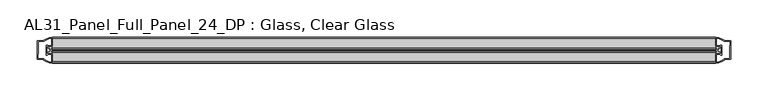
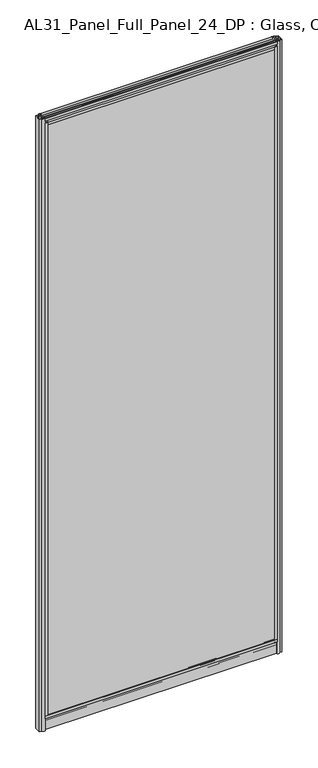
"""IFC4 building model written with IfcOpenShell, lengths in millimetres: plate geometry, AL31_Panel_Full_Panel_24_DP : Glass, Clear Glass."""

from ifc_helpers import new_model, si_unit, point, frame, frame_2d, origin, origin_with_axes, place, context, project, spatial, polyline, circle_curve, trimmed, segment, composite_curve, outline, extrude, source, transform, mapped, element, save


def al31_panel_full_panel_24_dp_glass_clear_glass_acebea19(model_context):
    return source(origin(), model_context, "Body", "SweptSolid", [
        extrude(outline(composite_curve([segment(polyline([(-20.7348244, 46.2206013), (-21.2892398, 45.1563534)]), True, "CONTINUOUS"), segment(trimmed(circle_curve(frame_2d((-19.857, 47.9056604)), 3.1), [point((-21.2892398, 45.1563534))], [point((-22.907, 47.3511336))], False, "CARTESIAN"), True, "CONTINUOUS"), segment(polyline([(-22.907, 47.3511336), (-22.907, 41.9), (-24.857, 41.9), (-24.857, 49.4), (-36.857, 49.4), (-36.857, 59.2), (-34.657, 59.2), (-34.657, 51.3), (-5.057, 51.3), (-5.057, 59.2), (-2.857, 59.2), (-2.857, 49.4), (-14.857, 49.4), (-14.857, 41.9), (-16.807, 41.9), (-16.807, 47.3511336)]), True, "CONTINUOUS"), segment(trimmed(circle_curve(frame_2d((-19.857, 47.9056604)), 3.1), [point((-16.807, 47.3511336))], [point((-18.4247602, 45.1563534))], False, "CARTESIAN"), True, "CONTINUOUS"), segment(polyline([(-18.4247602, 45.1563534), (-18.9791756, 46.2206013)]), True, "CONTINUOUS"), segment(trimmed(circle_curve(frame_2d((-19.857, 47.9056604)), 1.9), [point((-18.9791756, 46.2206013))], [point((-19.857, 49.8056604))], True, "CARTESIAN"), True, "CONTINUOUS"), segment(trimmed(circle_curve(frame_2d((-19.857, 47.9056604)), 1.9), [point((-19.857, 49.8056604))], [point((-20.7348244, 46.2206013))], True, "CARTESIAN"), True, "CONTINUOUS")], self_intersect=False)), frame((-442.5, 0.0, 0.0), z_axis=(1.0, 0.0, 0.0), x_axis=(0.0, 1.0, 0.0)), (0.0, 0.0, 1.0), 885.0),
        extrude(outline(composite_curve([segment(trimmed(circle_curve(frame_2d((-443.9943396, -19.857)), 1.9), [point((-445.6793987, -20.7348244))], [point((-442.0943396, -19.857))], True, "CARTESIAN"), True, "CONTINUOUS"), segment(trimmed(circle_curve(frame_2d((-443.9943396, -19.857)), 1.9), [point((-442.0943396, -19.857))], [point((-445.6793987, -18.9791756))], True, "CARTESIAN"), True, "CONTINUOUS"), segment(polyline([(-445.6793987, -18.9791756), (-446.7436466, -18.4247602)]), True, "CONTINUOUS"), segment(trimmed(circle_curve(frame_2d((-443.9943396, -19.857)), 3.1), [point((-446.7436466, -18.4247602))], [point((-444.5488664, -16.807))], False, "CARTESIAN"), True, "CONTINUOUS"), segment(polyline([(-444.5488664, -16.807), (-450.0, -16.807), (-450.0, -14.857), (-442.5, -14.857), (-442.5, -2.857), (-432.7, -2.857), (-432.7, -5.057), (-440.6, -5.057), (-440.6, -34.657), (-432.7, -34.657), (-432.7, -36.857), (-442.5, -36.857), (-442.5, -24.857), (-450.0, -24.857), (-450.0, -22.907), (-444.5488664, -22.907)]), True, "CONTINUOUS"), segment(trimmed(circle_curve(frame_2d((-443.9943396, -19.857)), 3.1), [point((-444.5488664, -22.907))], [point((-446.7436466, -21.2892398))], False, "CARTESIAN"), True, "CONTINUOUS"), segment(polyline([(-446.7436466, -21.2892398), (-445.6793987, -20.7348244)]), True, "CONTINUOUS")], self_intersect=False)), frame((0.0, 0.0, 49.4), z_axis=(0.0, 0.0, 1.0), x_axis=(1.0, 0.0, 0.0)), (0.0, 0.0, 1.0), 2402.1572926),
        extrude(outline(composite_curve([segment(trimmed(circle_curve(frame_2d((443.9943396, -19.857)), 1.9), [point((445.6793987, -18.9791756))], [point((442.0943396, -19.857))], True, "CARTESIAN"), True, "CONTINUOUS"), segment(trimmed(circle_curve(frame_2d((443.9943396, -19.857)), 1.9), [point((442.0943396, -19.857))], [point((445.6793987, -20.7348244))], True, "CARTESIAN"), True, "CONTINUOUS"), segment(polyline([(445.6793987, -20.7348244), (446.7436466, -21.2892398)]), True, "CONTINUOUS"), segment(trimmed(circle_curve(frame_2d((443.9943396, -19.857)), 3.1), [point((446.7436466, -21.2892398))], [point((444.5488664, -22.907))], False, "CARTESIAN"), True, "CONTINUOUS"), segment(polyline([(444.5488664, -22.907), (450.0, -22.907), (450.0, -24.857), (442.5, -24.857), (442.5, -36.857), (432.7, -36.857), (432.7, -34.657), (440.6, -34.657), (440.6, -5.057), (432.7, -5.057), (432.7, -2.857), (442.5, -2.857), (442.5, -14.857), (450.0, -14.857), (450.0, -16.807), (444.5488664, -16.807)]), True, "CONTINUOUS"), segment(trimmed(circle_curve(frame_2d((443.9943396, -19.857)), 3.1), [point((444.5488664, -16.807))], [point((446.7436466, -18.4247602))], False, "CARTESIAN"), True, "CONTINUOUS"), segment(polyline([(446.7436466, -18.4247602), (445.6793987, -18.9791756)]), True, "CONTINUOUS")], self_intersect=False)), frame((0.0, 0.0, 49.4), z_axis=(0.0, 0.0, 1.0), x_axis=(1.0, 0.0, 0.0)), (0.0, 0.0, 1.0), 2402.1572926),
        extrude(outline(composite_curve([segment(polyline([(-18.9791756, 2454.7366913), (-18.4247602, 2455.8009392)]), True, "CONTINUOUS"), segment(trimmed(circle_curve(frame_2d((-19.857, 2453.0516322)), 3.1), [point((-18.4247602, 2455.8009392))], [point((-16.807, 2453.606159))], False, "CARTESIAN"), True, "CONTINUOUS"), segment(polyline([(-16.807, 2453.606159), (-16.807, 2459.0572926), (-14.857, 2459.0572926), (-14.857, 2451.5572926), (-2.857, 2451.5572926), (-2.857, 2441.7572926), (-5.057, 2441.7572926), (-5.057, 2449.6572926), (-34.657, 2449.6572926), (-34.657, 2441.7572926), (-36.857, 2441.7572926), (-36.857, 2451.5572926), (-24.857, 2451.5572926), (-24.857, 2459.0572926), (-22.907, 2459.0572926), (-22.907, 2453.606159)]), True, "CONTINUOUS"), segment(trimmed(circle_curve(frame_2d((-19.857, 2453.0516322)), 3.1), [point((-22.907, 2453.606159))], [point((-21.2892398, 2455.8009392))], False, "CARTESIAN"), True, "CONTINUOUS"), segment(polyline([(-21.2892398, 2455.8009392), (-20.7348244, 2454.7366913)]), True, "CONTINUOUS"), segment(trimmed(circle_curve(frame_2d((-19.857, 2453.0516322)), 1.9), [point((-20.7348244, 2454.7366913))], [point((-19.857, 2451.1516322))], True, "CARTESIAN"), True, "CONTINUOUS"), segment(trimmed(circle_curve(frame_2d((-19.857, 2453.0516322)), 1.9), [point((-19.857, 2451.1516322))], [point((-18.9791756, 2454.7366913))], True, "CARTESIAN"), True, "CONTINUOUS")], self_intersect=False)), frame((-442.5, 0.0, 0.0), z_axis=(1.0, 0.0, 0.0), x_axis=(0.0, 1.0, 0.0)), (0.0, 0.0, 1.0), 885.0),
        extrude(outline(composite_curve([segment(trimmed(circle_curve(frame_2d((-19.957, 2461.8572926)), 3.0), [point((-18.457, 2464.4553688))], [point((-17.4851586, 2460.1572926))], False, "CARTESIAN"), True, "CONTINUOUS"), segment(polyline([(-17.4851586, 2460.1572926), (-4.157, 2460.1572926), (-4.157, 2469.5572926), (-2.857, 2469.5572926), (-2.857, 2459.0572926), (-13.1545312, 2459.0572926), (-13.1545312, 2458.2572926), (-13.6601218, 2456.3357964), (-13.6601218, 2451.6572926), (-14.857, 2451.6572926), (-14.857, 2456.9912672), (-14.357, 2457.8572926), (-14.357, 2459.0572926), (-25.357, 2459.0572926), (-25.357, 2457.8572926), (-24.857, 2456.9912672), (-24.857, 2451.6572926), (-26.0538782, 2451.6572926), (-26.0538782, 2456.3357964), (-26.5594688, 2458.2572926), (-26.5594688, 2459.0572926), (-36.857, 2459.0572926), (-36.857, 2469.5572926), (-35.557, 2469.5572926), (-35.557, 2460.1572926), (-22.4288414, 2460.1572926)]), True, "CONTINUOUS"), segment(trimmed(circle_curve(frame_2d((-19.957, 2461.8572926)), 3.0), [point((-22.4288414, 2460.1572926))], [point((-21.457, 2464.4553688))], False, "CARTESIAN"), True, "CONTINUOUS"), segment(polyline([(-21.457, 2464.4553688), (-20.907, 2463.5027409)]), True, "CONTINUOUS"), segment(trimmed(circle_curve(frame_2d((-19.957, 2461.8572926)), 1.9), [point((-20.907, 2463.5027409))], [point((-19.007, 2463.5027409))], True, "CARTESIAN"), True, "CONTINUOUS"), segment(polyline([(-19.007, 2463.5027409), (-18.457, 2464.4553688)]), True, "CONTINUOUS")], self_intersect=False)), frame((-442.5, 0.0, 0.0), z_axis=(1.0, 0.0, 0.0), x_axis=(0.0, 1.0, 0.0)), (0.0, 0.0, 1.0), 885.0),
        extrude(outline(composite_curve([segment(polyline([(-11.457, 35.8), (-28.257, 35.8)]), True, "CONTINUOUS"), segment(trimmed(circle_curve(frame_2d((-28.257, 34.8)), 1.0), [point((-28.257, 35.8))], [point((-29.257, 34.8))], True, "CARTESIAN"), True, "CONTINUOUS"), segment(polyline([(-29.257, 34.8), (-29.257, 33.5), (-24.8569697, 33.5), (-24.8569697, 32.3), (-29.257, 32.3), (-29.257, 0.0), (-30.457, 0.0), (-30.457, 47.3)]), True, "CONTINUOUS"), segment(trimmed(circle_curve(frame_2d((-28.457, 47.3)), 2.0), [point((-30.457, 47.3))], [point((-28.457, 49.3))], False, "CARTESIAN"), True, "CONTINUOUS"), segment(polyline([(-28.457, 49.3), (-24.857, 49.3), (-24.857, 41.9), (-14.857, 41.9), (-14.857, 49.3), (-11.257, 49.3)]), True, "CONTINUOUS"), segment(trimmed(circle_curve(frame_2d((-11.257, 47.3)), 2.0), [point((-11.257, 49.3))], [point((-9.257, 47.3))], False, "CARTESIAN"), True, "CONTINUOUS"), segment(polyline([(-9.257, 47.3), (-9.257, 0.0), (-10.457, 0.0), (-10.457, 32.3), (-14.8569697, 32.3), (-14.8569697, 33.5), (-10.457, 33.5), (-10.457, 34.8)]), True, "CONTINUOUS"), segment(trimmed(circle_curve(frame_2d((-11.457, 34.8)), 1.0), [point((-10.457, 34.8))], [point((-11.457, 35.8))], True, "CARTESIAN"), True, "CONTINUOUS")], self_intersect=False), holes=[composite_curve([segment(polyline([(-26.3594688, 41.8), (-26.3594688, 42.9)]), True, "CONTINUOUS"), segment(trimmed(circle_curve(frame_2d((-25.1594688, 42.9)), 1.2), [point((-26.3594688, 42.9))], [point((-25.9768184, 43.7786009))], False, "CARTESIAN"), True, "CONTINUOUS"), segment(polyline([(-25.9768184, 43.7786009), (-25.9768184, 48.2), (-28.257, 48.2)]), True, "CONTINUOUS"), segment(trimmed(circle_curve(frame_2d((-28.257, 47.2)), 1.0), [point((-28.257, 48.2))], [point((-29.257, 47.2))], True, "CARTESIAN"), True, "CONTINUOUS"), segment(polyline([(-29.257, 47.2), (-29.257, 37.04), (-22.6578965, 37.04), (-22.6578965, 38.0725806), (-21.6940508, 38.0725806)]), True, "CONTINUOUS"), segment(trimmed(circle_curve(frame_2d((-19.857, 39.1)), 2.1048387), [point((-21.6940508, 38.0725806))], [point((-18.0199492, 38.0725806))], True, "CARTESIAN"), True, "CONTINUOUS"), segment(polyline([(-18.0199492, 38.0725806), (-17.0561035, 38.0725806), (-17.0561035, 37.04), (-10.457, 37.04), (-10.457, 47.2)]), True, "CONTINUOUS"), segment(trimmed(circle_curve(frame_2d((-11.457, 47.2)), 1.0), [point((-10.457, 47.2))], [point((-11.457, 48.2))], True, "CARTESIAN"), True, "CONTINUOUS"), segment(polyline([(-11.457, 48.2), (-13.7371816, 48.2), (-13.7371816, 43.5786009)]), True, "CONTINUOUS"), segment(trimmed(circle_curve(frame_2d((-14.5545312, 42.7)), 1.2), [point((-13.7371816, 43.5786009))], [point((-13.3545312, 42.7))], False, "CARTESIAN"), True, "CONTINUOUS"), segment(polyline([(-13.3545312, 42.7), (-13.3545312, 41.8)]), True, "CONTINUOUS"), segment(trimmed(circle_curve(frame_2d((-14.3545312, 41.8)), 1.0), [point((-13.3545312, 41.8))], [point((-14.3545312, 40.8))], False, "CARTESIAN"), True, "CONTINUOUS"), segment(polyline([(-14.3545312, 40.8), (-17.0561035, 40.8), (-17.0561035, 39.7274194), (-18.0199492, 39.7274194)]), True, "CONTINUOUS"), segment(trimmed(circle_curve(frame_2d((-19.857, 38.7)), 2.1048387), [point((-18.0199492, 39.7274194))], [point((-21.6940508, 39.7274194))], True, "CARTESIAN"), True, "CONTINUOUS"), segment(polyline([(-21.6940508, 39.7274194), (-22.6578965, 39.7274194), (-22.6578965, 40.8), (-25.3594688, 40.8)]), True, "CONTINUOUS"), segment(trimmed(circle_curve(frame_2d((-25.3594688, 41.8)), 1.0), [point((-25.3594688, 40.8))], [point((-26.3594688, 41.8))], False, "CARTESIAN"), True, "CONTINUOUS")], self_intersect=False)]), frame((-442.5, 0.0, 0.0), z_axis=(1.0, 0.0, 0.0), x_axis=(0.0, 1.0, 0.0)), (0.0, 0.0, 1.0), 885.0),
        extrude(outline(composite_curve([segment(polyline([(-450.3414214, -25.757), (-449.1414214, -25.757), (-449.1414214, -24.857), (-442.5, -24.857), (-442.5, -36.8571453)]), True, "CONTINUOUS"), segment(trimmed(circle_curve(frame_2d((-442.1353484, -16.8604698)), 20.0), [point((-442.5, -36.8571453))], [point((-453.8558352, -33.0663388))], False, "CARTESIAN"), True, "CONTINUOUS"), segment(polyline([(-453.8558352, -33.0663388), (-453.8558352, -32.1849343), (-462.5, -32.1849343), (-462.5, -7.4849343), (-453.8558352, -7.4849343), (-453.8558352, -6.6474751)]), True, "CONTINUOUS"), segment(trimmed(circle_curve(frame_2d((-442.1353484, -22.8533441)), 20.0), [point((-453.8558352, -6.6474751))], [point((-442.5, -2.8566686))], False, "CARTESIAN"), True, "CONTINUOUS"), segment(polyline([(-442.5, -2.8566686), (-442.5, -14.857), (-449.1414214, -14.857), (-449.1414214, -13.957), (-450.3414214, -13.957), (-450.3414214, -25.757)]), True, "CONTINUOUS")], self_intersect=False), holes=[composite_curve([segment(trimmed(circle_curve(frame_2d((-449.3414214, -14.157)), 1.5), [point((-449.3414214, -12.657))], [point((-447.9861671, -13.5141269))], False, "CARTESIAN"), True, "CONTINUOUS"), segment(polyline([(-447.9861671, -13.5141269), (-444.2414214, -13.5141269), (-444.2414214, -8.917777), (-443.8020815, -7.8571168), (-443.8020815, -4.2070183)]), True, "CONTINUOUS"), segment(trimmed(circle_curve(frame_2d((-442.1353484, -22.8325921)), 18.7), [point((-443.8020815, -4.2070183))], [point((-452.1421262, -7.0353013))], True, "CARTESIAN"), True, "CONTINUOUS"), segment(trimmed(circle_curve(frame_2d((-453.9414214, -6.9849343)), 1.8), [point((-452.1421262, -7.0353013))], [point((-453.9414214, -8.7849343))], False, "CARTESIAN"), True, "CONTINUOUS"), segment(polyline([(-453.9414214, -8.7849343), (-461.0828427, -8.7849343), (-461.0828427, -13.3550394), (-460.6414214, -14.417777), (-460.6414214, -25.2520916), (-461.1414214, -26.2449987), (-461.1414214, -30.8849343), (-453.9414214, -30.8849343)]), True, "CONTINUOUS"), segment(trimmed(circle_curve(frame_2d((-453.9414214, -32.6849343)), 1.8), [point((-453.9414214, -30.8849343))], [point((-452.1421262, -32.6345673))], False, "CARTESIAN"), True, "CONTINUOUS"), segment(trimmed(circle_curve(frame_2d((-442.1353484, -16.8372765)), 18.7), [point((-452.1421262, -32.6345673))], [point((-443.8020815, -35.4628503))], True, "CARTESIAN"), True, "CONTINUOUS"), segment(polyline([(-443.8020815, -35.4628503), (-443.8020815, -31.8127518), (-444.2414214, -30.7520916), (-444.2414214, -26.1561308), (-447.9662696, -26.1561308)]), True, "CONTINUOUS"), segment(trimmed(circle_curve(frame_2d((-449.3414214, -25.557)), 1.5), [point((-447.9662696, -26.1561308))], [point((-449.3414214, -27.057))], False, "CARTESIAN"), True, "CONTINUOUS"), segment(polyline([(-449.3414214, -27.057), (-451.6414214, -27.057), (-451.6414214, -12.657), (-449.3414214, -12.657)]), True, "CONTINUOUS")], self_intersect=False)]), origin_with_axes(), (0.0, 0.0, 1.0), 2469.5572926),
        extrude(outline(composite_curve([segment(polyline([(450.3414214, -13.957), (449.1414214, -13.957), (449.1414214, -14.857), (442.5, -14.857), (442.5, -2.8568547)]), True, "CONTINUOUS"), segment(trimmed(circle_curve(frame_2d((442.1353484, -22.8535302)), 20.0), [point((442.5, -2.8568547))], [point((453.8558352, -6.6476612))], False, "CARTESIAN"), True, "CONTINUOUS"), segment(polyline([(453.8558352, -6.6476612), (453.8558352, -7.5290657), (462.5, -7.5290657), (462.5, -32.2290657), (453.8558352, -32.2290657), (453.8558352, -33.0665249)]), True, "CONTINUOUS"), segment(trimmed(circle_curve(frame_2d((442.1353484, -16.8606559)), 20.0), [point((453.8558352, -33.0665249))], [point((442.5, -36.8573314))], False, "CARTESIAN"), True, "CONTINUOUS"), segment(polyline([(442.5, -36.8573314), (442.5, -24.857), (449.1414214, -24.857), (449.1414214, -25.757), (450.3414214, -25.757), (450.3414214, -13.957)]), True, "CONTINUOUS")], self_intersect=False), holes=[composite_curve([segment(trimmed(circle_curve(frame_2d((449.3414214, -25.557)), 1.5), [point((449.3414214, -27.057))], [point((447.9861671, -26.1998731))], False, "CARTESIAN"), True, "CONTINUOUS"), segment(polyline([(447.9861671, -26.1998731), (444.2414214, -26.1998731), (444.2414214, -30.796223), (443.8020815, -31.8568832), (443.8020815, -35.5069817)]), True, "CONTINUOUS"), segment(trimmed(circle_curve(frame_2d((442.1353484, -16.8814079)), 18.7), [point((443.8020815, -35.5069817))], [point((452.1421262, -32.6786987))], True, "CARTESIAN"), True, "CONTINUOUS"), segment(trimmed(circle_curve(frame_2d((453.9414214, -32.7290657)), 1.8), [point((452.1421262, -32.6786987))], [point((453.9414214, -30.9290657))], False, "CARTESIAN"), True, "CONTINUOUS"), segment(polyline([(453.9414214, -30.9290657), (461.0828427, -30.9290657), (461.0828427, -26.3589606), (460.6414214, -25.296223), (460.6414214, -14.4619084), (461.1414214, -13.4690013), (461.1414214, -8.8290657), (453.9414214, -8.8290657)]), True, "CONTINUOUS"), segment(trimmed(circle_curve(frame_2d((453.9414214, -7.0290657)), 1.8), [point((453.9414214, -8.8290657))], [point((452.1421262, -7.0794327))], False, "CARTESIAN"), True, "CONTINUOUS"), segment(trimmed(circle_curve(frame_2d((442.1353484, -22.8767235)), 18.7), [point((452.1421262, -7.0794327))], [point((443.8020815, -4.2511497))], True, "CARTESIAN"), True, "CONTINUOUS"), segment(polyline([(443.8020815, -4.2511497), (443.8020815, -7.9012482), (444.2414214, -8.9619084), (444.2414214, -13.5578692), (447.9662696, -13.5578692)]), True, "CONTINUOUS"), segment(trimmed(circle_curve(frame_2d((449.3414214, -14.157)), 1.5), [point((447.9662696, -13.5578692))], [point((449.3414214, -12.657))], False, "CARTESIAN"), True, "CONTINUOUS"), segment(polyline([(449.3414214, -12.657), (451.6414214, -12.657), (451.6414214, -27.057), (449.3414214, -27.057)]), True, "CONTINUOUS")], self_intersect=False)]), origin_with_axes(), (0.0, 0.0, 1.0), 2469.5572926),
        extrude(outline(polyline([(440.6, -27.857), (440.6, -31.857), (-440.6, -31.857), (-440.6, -27.857), (440.6, -27.857)])), frame((0.0, 0.0, 51.3), z_axis=(0.0, 0.0, 1.0), x_axis=(1.0, 0.0, 0.0)), (0.0, 0.0, 1.0), 2398.3572926),
        extrude(outline(polyline([(440.6, -7.857), (440.6, -11.857), (-440.6, -11.857), (-440.6, -7.857), (440.6, -7.857)])), frame((0.0, 0.0, 51.3), z_axis=(0.0, 0.0, 1.0), x_axis=(1.0, 0.0, 0.0)), (0.0, 0.0, 1.0), 2398.3572926),
    ])


if __name__ == "__main__":
    model = new_model("IFC4")
    model_context = context("Model", 3, world=origin())
    ifc_project = project(units=[si_unit("LENGTHUNIT", "METRE", prefix="MILLI")], contexts=[model_context])
    site = spatial("IfcSite", under=ifc_project)
    building = spatial("IfcBuilding", under=site)
    placement = place(None, origin())
    al31_panel_full_panel_24_dp_glass_clear_glass_shape = al31_panel_full_panel_24_dp_glass_clear_glass_acebea19(model_context)
    element("IfcPlate", 1, ObjectType="AL31_Panel_Full_Panel_24_DP : Glass, Clear Glass", at=placement, inside=building, context=model_context, shape_type="MappedRepresentation", body=[
        mapped(al31_panel_full_panel_24_dp_glass_clear_glass_shape, transform((0.0, 0.0, 0.0), x_axis=(1.0, 0.0, 0.0), y_axis=(0.0, 1.0, 0.0), z_axis=(0.0, 0.0, 1.0))),
    ])
    save(model, "model.ifc")
